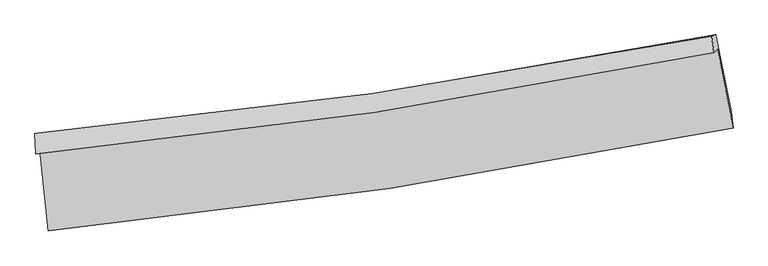
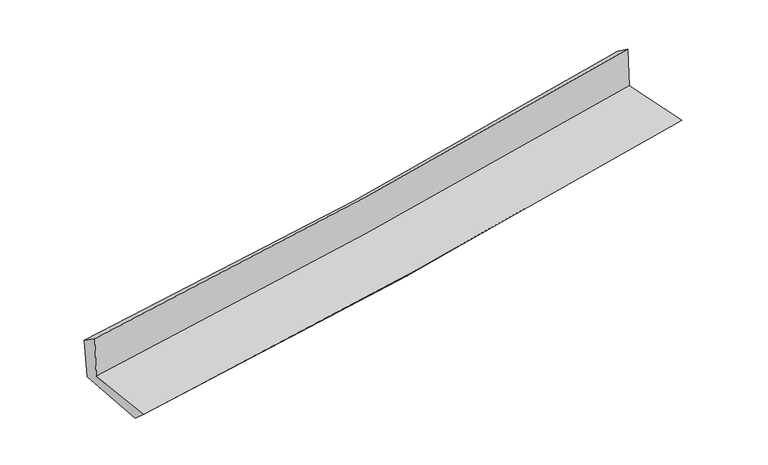
"""IFC4 building model written with IfcOpenShell, lengths in millimetres: proxy geometry."""

import ifcopenshell
import ifcopenshell.guid

model = None  # the IFC model being written
_history = None  # IfcOwnerHistory: only IFC2X3 demands one
_inside = {}  # id of a spatial element -> (the spatial element, [elements in it])
_under = {}  # id of a project, library or spatial element -> (it, [spatial elements below it])
_declared = {}  # id of a project -> (the project, [libraries it declares])
_typed = {}  # id of a type object -> (the type object, [elements of that type])
_made_of = {}  # id of a material, layer set ... -> (it, [elements and type objects made of it])


def new_model(schema):
    """Start an empty IFC model of exactly this schema.

    Asked for "IFC4X3", IfcOpenShell would pick the latest addendum, in which some entities
    have other attributes; the version numbers below select the first issue.
    IFC2X3 requires an IfcOwnerHistory on every rooted entity: one is made here for all.
    """
    global model, _history
    if schema == "IFC4X3":
        model = ifcopenshell.file(schema_version=(4, 3, 0, 0))
    else:
        model = ifcopenshell.file(schema=schema)
    _inside.clear()
    _under.clear()
    _declared.clear()
    _typed.clear()
    _made_of.clear()
    _history = None
    if model.schema == "IFC2X3":
        org = make("IfcOrganization", Name="unknown")
        user = make(
            "IfcPersonAndOrganization",
            ThePerson=make("IfcPerson", FamilyName="unknown"),
            TheOrganization=org,
        )
        app = make(
            "IfcApplication",
            ApplicationDeveloper=org,
            Version="unknown",
            ApplicationFullName="unknown",
            ApplicationIdentifier="unknown",
        )
        _history = make(
            "IfcOwnerHistory",
            OwningUser=user,
            OwningApplication=app,
            ChangeAction="ADDED",
            CreationDate=0,
        )
    return model


def make(cls, **values):
    """One entity of the class cls with the attributes given. An attribute that is None is left unset."""
    return model.create_entity(
        cls, **{name: value for name, value in values.items() if value is not None}
    )


def rooted(cls, **values):
    """An entity with a GlobalId (a new one), such as an element, a storey or a relation."""
    return make(cls, GlobalId=ifcopenshell.guid.new(), OwnerHistory=_history, **values)


def si_unit(unit_type, name, prefix=None):
    """IfcSIUnit, for example si_unit("LENGTHUNIT", "METRE", prefix="MILLI")."""
    return make("IfcSIUnit", UnitType=unit_type, Prefix=prefix, Name=name)


def assignment(units):
    """IfcUnitAssignment: the units of a project."""
    return None if units is None else make("IfcUnitAssignment", Units=units)


def point(xyz):
    """IfcCartesianPoint."""
    return None if xyz is None else make("IfcCartesianPoint", Coordinates=xyz)


def direction(xyz):
    """IfcDirection."""
    return None if xyz is None else make("IfcDirection", DirectionRatios=xyz)


def frame(location, z_axis=None, x_axis=None):
    """IfcAxis2Placement3D, a coordinate frame: its origin and axes. An axis left out is left unset."""
    return make(
        "IfcAxis2Placement3D",
        Location=point(location),
        Axis=direction(z_axis),
        RefDirection=direction(x_axis),
    )


def origin():
    """The frame at (0, 0, 0) with its axes left unset."""
    return frame((0.0, 0.0, 0.0))


def place(relative_to, where):
    """IfcLocalPlacement: puts the frame where relative to a parent placement (None: the world)."""
    return make(
        "IfcLocalPlacement", PlacementRelTo=relative_to, RelativePlacement=where
    )


def context(
    kind, dimensions, precision=None, world=None, true_north=None, identifier=None
):
    """IfcGeometricRepresentationContext, for example the 3D "Model" context."""
    return make(
        "IfcGeometricRepresentationContext",
        ContextIdentifier=identifier,
        ContextType=kind,
        CoordinateSpaceDimension=dimensions,
        Precision=precision,
        WorldCoordinateSystem=world,
        TrueNorth=true_north,
    )


def project(units=None, contexts=None):
    """IfcProject with its units and contexts."""
    return rooted(
        "IfcProject",
        Name="project",
        RepresentationContexts=contexts,
        UnitsInContext=assignment(units),
    )


def spatial(cls, under=None, at=None, **own):
    """A site, building, storey or space (cls), placed at a placement, below another one or the project."""
    s = rooted(cls, ObjectPlacement=at, **own)
    if under is not None:
        _under.setdefault(under.id(), (under, []))[1].append(s)
    return s


def shape(context_of_items, identifier, shape_type, items):
    """IfcShapeRepresentation: the items that make up one representation, for example the "Body"."""
    return make(
        "IfcShapeRepresentation",
        ContextOfItems=context_of_items,
        RepresentationIdentifier=identifier,
        RepresentationType=shape_type,
        Items=items,
    )


def source(mapping_origin, context_of_items, identifier, shape_type, items):
    """IfcRepresentationMap: a shape defined once, which mapped items show again and again."""
    return make(
        "IfcRepresentationMap",
        MappingOrigin=mapping_origin,
        MappedRepresentation=shape(context_of_items, identifier, shape_type, items),
    )


def transform(
    local_origin,
    x_axis=None,
    y_axis=None,
    z_axis=None,
    scale=None,
    scale2=None,
    scale3=None,
    uniform=True,
):
    """IfcCartesianTransformationOperator3D, or its non-uniform kind. x_axis, y_axis, z_axis: its Axis1, 2, 3."""
    if uniform:
        return make(
            "IfcCartesianTransformationOperator3D",
            Axis1=direction(x_axis),
            Axis2=direction(y_axis),
            LocalOrigin=point(local_origin),
            Scale=scale,
            Axis3=direction(z_axis),
        )
    return make(
        "IfcCartesianTransformationOperator3DnonUniform",
        Axis1=direction(x_axis),
        Axis2=direction(y_axis),
        LocalOrigin=point(local_origin),
        Scale=scale,
        Axis3=direction(z_axis),
        Scale2=scale2,
        Scale3=scale3,
    )


def mapped(mapping_source, mapping_target):
    """IfcMappedItem: shows the shape of a source again, moved by a transform."""
    return make(
        "IfcMappedItem", MappingSource=mapping_source, MappingTarget=mapping_target
    )


def made_of(thing, what):
    """Note that an element or type object is made of a material, layer set ...; save() writes the relation."""
    if what is not None:
        _made_of.setdefault(what.id(), (what, []))[1].append(thing)
    return thing


def element(
    cls,
    number,
    at=None,
    inside=None,
    cuts=None,
    type_object=None,
    material=None,
    context=None,
    identifier="Body",
    shape_type=None,
    held_by="IfcProductDefinitionShape",
    body=None,
    shapes=None,
    **own,
):
    """One element of the class cls, such as IfcWall. Its Tag is "e" and its number.

    at: its placement. inside: the storey or other place that contains it. cuts: it is an
    opening in that element (IfcRelVoidsElement). A single representation is given by context,
    identifier, shape_type and body (its items); several are given by shapes. held_by: the class
    of the entity that holds the representations. save() writes the other relations.
    """
    e = rooted(cls, Tag="e%d" % number, ObjectPlacement=at, **own)
    if body is not None:
        shapes = [shape(context, identifier, shape_type, body)]
    if shapes is not None:
        e.Representation = make(held_by, Representations=shapes)
    if inside is not None:
        _inside.setdefault(inside.id(), (inside, []))[1].append(e)
    if cuts is not None:
        rooted(
            "IfcRelVoidsElement", RelatingBuildingElement=cuts, RelatedOpeningElement=e
        )
    if type_object is not None:
        _typed.setdefault(type_object.id(), (type_object, []))[1].append(e)
    return made_of(e, material)


def aggregate(whole, parts):
    """IfcRelAggregates: a whole, such as a stair, and the parts it consists of."""
    return rooted("IfcRelAggregates", RelatingObject=whole, RelatedObjects=parts)


def save(model, path):
    """Write the relations noted so far, then the file.

    IfcRelAggregates (storeys below a building ...), IfcRelContainedInSpatialStructure (elements
    in a storey), IfcRelDefinesByType, IfcRelAssociatesMaterial and IfcRelDeclares: one each for
    every whole, place, type object, material and project.
    """
    for whole, parts in _under.values():
        aggregate(whole, parts)
    for where, things in _inside.values():
        rooted(
            "IfcRelContainedInSpatialStructure",
            RelatedElements=things,
            RelatingStructure=where,
        )
    for kind, things in _typed.values():
        rooted("IfcRelDefinesByType", RelatedObjects=things, RelatingType=kind)
    for what, things in _made_of.values():
        rooted("IfcRelAssociatesMaterial", RelatedObjects=things, RelatingMaterial=what)
    for by, libraries in _declared.values():
        rooted("IfcRelDeclares", RelatingContext=by, RelatedDefinitions=libraries)
    model.write(path)


def plane_surface(at):
    """IfcPlane: the flat surface through the origin of the frame at, square to its z axis."""
    return make("IfcPlane", Position=at)


def spline_curve(degree, points, multiplicities, knots, weights=None):
    """IfcBSplineCurveWithKnots; with weights, IfcRationalBSplineCurveWithKnots."""
    own = dict(
        Degree=degree,
        ControlPointsList=[point(p) for p in points],
        CurveForm="UNSPECIFIED",
        ClosedCurve=False,
        SelfIntersect=False,
        KnotMultiplicities=multiplicities,
        Knots=knots,
        KnotSpec="UNSPECIFIED",
    )
    if weights is None:
        return make("IfcBSplineCurveWithKnots", **own)
    return make("IfcRationalBSplineCurveWithKnots", WeightsData=weights, **own)


def spline_surface(u_degree, v_degree, points, u_multiplicities, v_multiplicities, u_knots, v_knots, weights=None):
    """IfcBSplineSurfaceWithKnots; with weights, IfcRationalBSplineSurfaceWithKnots. points: one row for each step in u."""
    own = dict(
        UDegree=u_degree,
        VDegree=v_degree,
        ControlPointsList=[[point(p) for p in row] for row in points],
        SurfaceForm="UNSPECIFIED",
        UClosed=False,
        VClosed=False,
        SelfIntersect=False,
        UMultiplicities=u_multiplicities,
        VMultiplicities=v_multiplicities,
        UKnots=u_knots,
        VKnots=v_knots,
        KnotSpec="UNSPECIFIED",
    )
    if weights is None:
        return make("IfcBSplineSurfaceWithKnots", **own)
    return make("IfcRationalBSplineSurfaceWithKnots", WeightsData=weights, **own)


def advanced_brep(points, edges, surfaces, faces):
    """IfcAdvancedBrep: a solid bounded by faces that lie on surfaces and meet in shared edges.

    An edge is (start, end): straight between two places in points (the first is 0);
    or (start, end, curve); or (start, end, curve, False) where it runs against its curve.
    A face is (place in surfaces, loops), or (place, loops, False) where it looks against
    its surface's normal. A loop lists edges by number (the first is 1), with a minus sign
    where the edge is run from its end to its start. The first loop is the outer one.
    """
    corners = [point(p) for p in points]
    vertices = [make("IfcVertexPoint", VertexGeometry=c) for c in corners]
    made = []
    for start, end, *more in edges:
        made.append(
            make(
                "IfcEdgeCurve",
                EdgeStart=vertices[start],
                EdgeEnd=vertices[end],
                EdgeGeometry=more[0] if more else make("IfcPolyline", Points=[corners[start], corners[end]]),
                SameSense=more[1] if len(more) > 1 else True,
            )
        )
    hull = []
    for where, loops, *sense in faces:
        bounds = []
        for j, loop in enumerate(loops):
            ring = [make("IfcOrientedEdge", EdgeElement=made[abs(k) - 1], Orientation=k > 0) for k in loop]
            bounds.append(
                make(
                    "IfcFaceOuterBound" if j == 0 else "IfcFaceBound",
                    Bound=make("IfcEdgeLoop", EdgeList=ring),
                    Orientation=True,
                )
            )
        hull.append(make("IfcAdvancedFace", Bounds=bounds, FaceSurface=surfaces[where], SameSense=sense[0] if sense else True))
    return make("IfcAdvancedBrep", Outer=make("IfcClosedShell", CfsFaces=hull))


def generic_models_e9a3249c(model_context):
    return source(origin(), model_context, "Body", "AdvancedBrep", [
        advanced_brep(
        [(-2815.8792398, -1879.3190601, 1638.7141927), (-2746.6187799, -2551.2437465, 1637.4480247), (2900.4026453, -1701.2414935, 2119.2040922), (2772.2704275, -1048.689322, 2120.2872112), (-2847.7405583, -1914.2103003, 2049.3702397), (2742.1498477, -1078.4068145, 2519.4435166), (-2855.1551227, -1748.7513372, 1938.0115948), (2724.0048507, -941.7451567, 2423.1960859), (-2821.9797705, -1746.6760294, 1551.2546151), (2757.1691192, -932.298615, 2034.4051781), (-2749.7766334, -2417.3828611, 1514.4504638), (2883.921834, -1564.5130809, 2004.3343118)],
        [
            (0, 1),
            (1, 2, spline_curve(3, [(-2746.6187799, -2551.2437465, 1637.4480247), (-1805.513442728, -2457.752779498, 1729.19998948), (-867.278876015, -2340.760269973, 1815.01021638), (1015.133773628, -2058.017040681, 1975.744954372), (1959.239681774, -1891.675465913, 2050.520083044), (2900.4026453, -1701.2414935, 2119.2040922)], [4, 2, 4], [0.0, 9.296343545196288, 18.70882190049077])),
            (2, 3),
            (3, 0, spline_curve(3, [(2772.2704275, -1048.689322, 2120.2872112), (1840.471208281, -1229.146355378, 2049.968750591), (905.985186074, -1388.89594586, 1974.396912959), (-956.797262124, -1665.264684774, 1813.7437367), (-1885.027795898, -1782.391673676, 1728.791234953), (-2815.8792398, -1879.3190601, 1638.7141927)], [4, 2, 4], [0.0, 9.41247835529448, 18.70882190049077])),
            (4, 0),
            (3, 5),
            (5, 4, spline_curve(3, [(2742.1498477, -1078.4068145, 2519.4435166), (1811.257460025, -1267.848438428, 2451.726189457), (877.075171064, -1432.498953001, 2378.417091611), (-986.302314029, -1710.492124586, 2221.588863722), (-1915.416827128, -1824.442771623, 2138.206869145), (-2847.7405583, -1914.2103003, 2049.3702397)], [4, 2, 4], [0.0, 9.363576061391985, 18.611620688162603])),
            (6, 4),
            (5, 7),
            (7, 6, spline_curve(3, [(2724.0048507, -941.7451567, 2423.1960859), (1795.33754977, -1123.269328529, 2339.547452572), (863.166236631, -1281.556029814, 2257.047197868), (-996.639689013, -1549.988201973, 2095.347197738), (-1924.188366884, -1660.703560779, 2016.119288497), (-2855.1551227, -1748.7513372, 1938.0115948)], [4, 2, 4], [0.0, 9.353897079250322, 18.5923821469165])),
            (8, 6),
            (7, 9),
            (9, 8, spline_curve(3, [(2757.1691192, -932.298615, 2034.4051781), (1828.615904956, -1117.484828131, 1955.079625089), (896.502216263, -1278.213103357, 1874.899097691), (-963.301399583, -1549.072421747, 1713.827942169), (-1890.904007366, -1659.803284765, 1632.958281773), (-2821.9797705, -1746.6760294, 1551.2546151)], [4, 2, 4], [0.0, 9.343456580719613, 18.571629968776985])),
            (10, 8),
            (9, 11),
            (11, 10, spline_curve(3, [(2883.921834, -1564.5130809, 2004.3343118), (1946.250319327, -1756.527624193, 1923.869033271), (1005.003371847, -1923.896515678, 1842.554085594), (-872.983803318, -2207.582018822, 1679.238631923), (-1809.636344779, -2324.503054596, 1597.258963514), (-2749.7766334, -2417.3828611, 1514.4504638)], [4, 2, 4], [0.0, 9.393834458124244, 18.671764141787634])),
            (1, 10),
            (11, 2),
        ],
        [
            spline_surface(3, 3, [[(-2815.8792398, -1879.3190601, 1638.7141927), (-1885.027795788, -1782.391673716, 1728.791234825), (-956.797262213, -1665.264684739, 1813.743736755), (905.985186164, -1388.895945896, 1974.396912903), (1840.471208351, -1229.146355499, 2049.968750484), (2772.2704275, -1048.689322, 2120.2872112)], [(-2792.792419833, -2103.293955593, 1638.292136683), (-1858.523011448, -2007.51204233, 1728.927486367), (-926.95780012, -1890.429879835, 1814.165896684), (942.368048608, -1611.936310816, 1974.846260031), (1880.060699475, -1449.989392279, 2050.152528006), (2814.981166764, -1266.206712518, 2119.926171527)], [(-2769.705599867, -2327.268851007, 1637.870080717), (-1832.018227108, -2232.632410865, 1729.063737958), (-897.118338002, -2115.595074916, 1814.588056573), (978.750911077, -1834.976675723, 1975.29560712), (1919.650190607, -1670.832429004, 2050.336305548), (2857.691906036, -1483.724102982, 2119.565131873)], [(-2746.6187799, -2551.2437465, 1637.4480247), (-1805.513442767, -2457.752779478, 1729.199989499), (-867.278875909, -2340.760270011, 1815.010216502), (1015.133773521, -2058.017040643, 1975.744954249), (1959.239681731, -1891.675465785, 2050.52008307), (2900.4026453, -1701.2414935, 2119.2040922)]], [4, 4], [4, 2, 4], [0.0, 2.229614593380922], [0.0, 9.296343545196288, 18.70882190049077]),
            spline_surface(3, 3, [[(-2847.7405583, -1914.2103003, 2049.3702397), (-1915.416827144, -1824.442771721, 2138.20686927), (-986.30231415, -1710.492124493, 2221.588863717), (877.075171186, -1432.498953095, 2378.417091616), (1811.257460162, -1267.848438429, 2451.726189487), (2742.1498477, -1078.4068145, 2519.4435166)], [(-2837.120118799, -1902.579886877, 1912.484890693), (-1905.287150025, -1810.42573903, 2001.734991115), (-976.467296828, -1695.416311244, 2085.640488065), (886.711842855, -1417.964617364, 2243.743698713), (1820.995376212, -1254.94774412, 2317.80704315), (2752.190040954, -1068.500983668, 2386.391414797)], [(-2826.499679301, -1890.949473523, 1775.599541707), (-1895.157472907, -1796.408706407, 1865.263112981), (-966.632279535, -1680.340497989, 1949.692112408), (896.348514495, -1403.430281627, 2109.070305805), (1830.733292301, -1242.047049808, 2183.887896821), (2762.230234246, -1058.595152832, 2253.339313003)], [(-2815.8792398, -1879.3190601, 1638.7141927), (-1885.027795788, -1782.391673716, 1728.791234825), (-956.797262213, -1665.264684739, 1813.743736755), (905.985186164, -1388.895945896, 1974.396912903), (1840.471208351, -1229.146355499, 2049.968750484), (2772.2704275, -1048.689322, 2120.2872112)]], [4, 4], [4, 2, 4], [0.0, 1.3430888797662532], [0.0, 9.248044626770618, 18.611620688162603]),
            spline_surface(3, 3, [[(-2855.1551227, -1748.7513372, 1938.0115948), (-1924.188366862, -1660.70356065, 2016.119288549), (-996.639688907, -1549.988201836, 2095.347197673), (863.166236524, -1281.556029953, 2257.047197934), (1795.337549681, -1123.269328593, 2339.547452459), (2724.0048507, -941.7451567, 2423.1960859)], [(-2852.683601225, -1803.904324919, 1975.131143125), (-1921.264520281, -1715.283297693, 2056.815148815), (-993.193897316, -1603.489509398, 2137.427753001), (867.802548084, -1331.870337677, 2297.503829141), (1800.644186521, -1171.4623652, 2376.940364792), (2730.053183046, -987.299042628, 2455.27856279)], [(-2850.212079775, -1859.057312581, 2012.250691375), (-1918.340673725, -1769.863034678, 2097.511009005), (-989.748105741, -1656.990816931, 2179.508308389), (872.438859626, -1382.184645371, 2337.960460408), (1805.950823322, -1219.655401822, 2414.333277155), (2736.101515354, -1032.852928572, 2487.36103971)], [(-2847.7405583, -1914.2103003, 2049.3702397), (-1915.416827144, -1824.442771721, 2138.20686927), (-986.30231415, -1710.492124493, 2221.588863717), (877.075171186, -1432.498953095, 2378.417091616), (1811.257460162, -1267.848438429, 2451.726189487), (2742.1498477, -1078.4068145, 2519.4435166)]], [4, 4], [4, 2, 4], [0.0, 0.6536940842609035], [0.0, 9.238485067666177, 18.5923821469165]),
            spline_surface(3, 3, [[(-2821.9797705, -1746.6760294, 1551.2546151), (-1890.904007251, -1659.803284684, 1632.958281781), (-963.301399447, -1549.072421782, 1713.827942186), (896.502216126, -1278.213103321, 1874.899097674), (1828.615904873, -1117.484828105, 1955.07962499), (2757.1691192, -932.298615, 2034.4051781)], [(-2833.038221253, -1747.367798646, 1680.17360831), (-1901.998793808, -1660.103376652, 1760.678617347), (-974.414162613, -1549.377681785, 1841.001027366), (885.390222913, -1279.327412184, 2002.281797778), (1817.523119792, -1119.412994925, 2083.23556751), (2746.114363016, -935.447462224, 2164.002147397)], [(-2844.096671947, -1748.059567954, 1809.09260159), (-1913.093580305, -1660.403468682, 1888.398952983), (-985.526925742, -1549.682941832, 1968.174112493), (874.278229737, -1280.441721091, 2129.66449783), (1806.430334762, -1121.341161773, 2211.391509939), (2735.059606884, -938.596309476, 2293.599116603)], [(-2855.1551227, -1748.7513372, 1938.0115948), (-1924.188366862, -1660.70356065, 2016.119288549), (-996.639688907, -1549.988201836, 2095.347197673), (863.166236524, -1281.556029953, 2257.047197934), (1795.337549681, -1123.269328593, 2339.547452459), (2724.0048507, -941.7451567, 2423.1960859)]], [4, 4], [4, 2, 4], [0.0, 1.257533886813758], [0.0, 9.228173388057373, 18.571629968776985]),
            spline_surface(3, 3, [[(-2749.7766334, -2417.3828611, 1514.4504638), (-1809.636344878, -2324.503054468, 1597.258963364), (-872.983803226, -2207.582018958, 1679.238631898), (1005.003371753, -1923.896515541, 1842.554085619), (1946.250319225, -1756.527624259, 1923.869033116), (2883.921834, -1564.5130809, 2004.3343118)], [(-2773.844345746, -2193.813917223, 1526.718514236), (-1836.725565649, -2102.936464563, 1609.158736172), (-903.089668638, -1988.078819918, 1690.768401995), (968.836319872, -1708.668711486, 1853.335756305), (1907.038847798, -1543.513358861, 1934.272563732), (2841.67092909, -1353.774925586, 2014.357933891)], [(-2797.912058154, -1970.244973277, 1538.986564664), (-1863.814786481, -1881.369874589, 1621.058508972), (-933.195534035, -1768.575620821, 1702.298172089), (932.669268007, -1493.440907376, 1864.117426988), (1867.8273763, -1330.499093503, 1944.676094375), (2799.42002411, -1143.036770314, 2024.381556009)], [(-2821.9797705, -1746.6760294, 1551.2546151), (-1890.904007251, -1659.803284684, 1632.958281781), (-963.301399447, -1549.072421782, 1713.827942186), (896.502216126, -1278.213103321, 1874.899097674), (1828.615904873, -1117.484828105, 1955.07962499), (2757.1691192, -932.298615, 2034.4051781)]], [4, 4], [4, 2, 4], [0.0, 2.1667203906708696], [0.0, 9.27792968366339, 18.671764141787634]),
            spline_surface(3, 3, [[(-2746.6187799, -2551.2437465, 1637.4480247), (-1805.513442767, -2457.752779478, 1729.199989499), (-867.278875909, -2340.760270011, 1815.010216502), (1015.133773521, -2058.017040643, 1975.744954249), (1959.239681731, -1891.675465785, 2050.52008307), (2900.4026453, -1701.2414935, 2119.2040922)], [(-2747.671397743, -2506.623451342, 1596.448837752), (-1806.887743481, -2413.33620445, 1685.219647472), (-869.180518338, -2296.36751964, 1769.75302162), (1011.756972942, -2013.310198922, 1931.347998025), (1954.909894224, -1846.626185284, 2008.303066417), (2894.909041529, -1655.665355975, 2080.914165398)], [(-2748.724015557, -2462.003156258, 1555.449650748), (-1808.262044165, -2368.919629496, 1641.23930539), (-871.082160797, -2251.974769329, 1724.495826779), (1008.380172332, -1968.603357261, 1886.951041843), (1950.580106731, -1801.576904759, 1966.086049769), (2889.415437771, -1610.089218425, 2042.624238602)], [(-2749.7766334, -2417.3828611, 1514.4504638), (-1809.636344878, -2324.503054468, 1597.258963364), (-872.983803226, -2207.582018958, 1679.238631898), (1005.003371753, -1923.896515541, 1842.554085619), (1946.250319225, -1756.527624259, 1923.869033116), (2883.921834, -1564.5130809, 2004.3343118)]], [4, 4], [4, 2, 4], [0.0, 0.6225612773312135], [0.0, 9.33661288477429, 18.789863645403962]),
            plane_surface(frame((2796.6531207, -1211.1490804, 2203.4783993), z_axis=(0.9774796995044415, 0.1917873994898582, 0.08803993669707307), x_axis=(-0.08496749049476887, -0.024202220486734007, 0.9960897439902355))),
            plane_surface(frame((-2806.1916841, -2042.9305558, 1721.5415218), z_axis=(-0.991098061857154, -0.10199888925190191, -0.08556201478676843), x_axis=(-0.10253425703937988, 0.9947277077435076, 0.0018744547818802262))),
        ],
        [
            (0, [[1, 2, 3, 4]]),
            (1, [[5, -4, 6, 7]]),
            (2, [[8, -7, 9, 10]]),
            (3, [[11, -10, 12, 13]]),
            (4, [[14, -13, 15, 16]]),
            (5, [[17, -16, 18, -2]]),
            (6, [[-12, -9, -6, -3, -18, -15]]),
            (7, [[-1, -5, -8, -11, -14, -17]]),
        ],
    ),
    ])


if __name__ == "__main__":
    model = new_model("IFC4")
    model_context = context("Model", 3, world=origin())
    ifc_project = project(units=[si_unit("LENGTHUNIT", "METRE", prefix="MILLI")], contexts=[model_context])
    site = spatial("IfcSite", under=ifc_project)
    building = spatial("IfcBuilding", under=site)
    placement = place(None, origin())
    generic_models_shape = generic_models_e9a3249c(model_context)
    element("IfcBuildingElementProxy", 1, Name="Generic Models", at=placement, inside=building, context=model_context, shape_type="MappedRepresentation", body=[
        mapped(generic_models_shape, transform((0.0, 0.0, 0.0), x_axis=(1.0, 0.0, 0.0), y_axis=(0.0, 1.0, 0.0), z_axis=(0.0, 0.0, 1.0))),
    ])
    save(model, "model.ifc")
